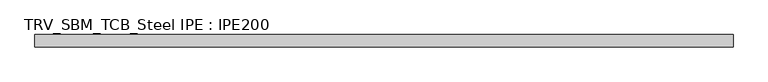
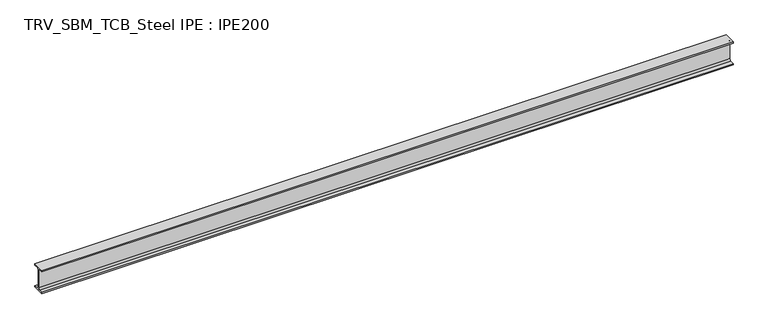
"""IFC4 building model written with IfcOpenShell, lengths in millimetres: beam geometry, TRV_SBM_TCB_Steel IPE : IPE200."""

from ifc_helpers import new_model, si_unit, point, frame, frame_2d, origin, place, context, project, spatial, polyline, circle_curve, trimmed, segment, composite_curve, outline, extrude, source, transform, mapped, element, save


def trv_sbm_tcb_steel_ipe_ipe200_f637426b(model_context):
    return source(origin(), model_context, "Body", "SweptSolid", [
        extrude(outline(composite_curve([segment(polyline([(-50.0, -89.3), (-18.55, -89.3)]), True, "CONTINUOUS"), segment(trimmed(circle_curve(frame_2d((-18.55, -74.3)), 15.0), [point((-18.55, -89.3))], [point((-3.55, -74.3))], True, "CARTESIAN"), True, "CONTINUOUS"), segment(polyline([(-3.55, -74.3), (-3.55, 74.3)]), True, "CONTINUOUS"), segment(trimmed(circle_curve(frame_2d((-18.55, 74.3)), 15.0), [point((-3.55, 74.3))], [point((-18.55, 89.3))], True, "CARTESIAN"), True, "CONTINUOUS"), segment(polyline([(-18.55, 89.3), (-50.0, 89.3), (-50.0, 100.0), (50.0, 100.0), (50.0, 89.3), (18.55, 89.3)]), True, "CONTINUOUS"), segment(trimmed(circle_curve(frame_2d((18.55, 74.3)), 15.0), [point((18.55, 89.3))], [point((3.55, 74.3))], True, "CARTESIAN"), True, "CONTINUOUS"), segment(polyline([(3.55, 74.3), (3.55, -74.3)]), True, "CONTINUOUS"), segment(trimmed(circle_curve(frame_2d((18.55, -74.3)), 15.0), [point((3.55, -74.3))], [point((18.55, -89.3))], True, "CARTESIAN"), True, "CONTINUOUS"), segment(polyline([(18.55, -89.3), (50.0, -89.3), (50.0, -100.0), (-50.0, -100.0), (-50.0, -89.3)]), True, "CONTINUOUS")], self_intersect=False)), frame((-2819.0, 0.0, 0.0), z_axis=(1.0, 0.0, 0.0), x_axis=(0.0, 1.0, 0.0)), (0.0, 0.0, 1.0), 5698.0),
    ])


if __name__ == "__main__":
    model = new_model("IFC4")
    model_context = context("Model", 3, world=origin())
    ifc_project = project(units=[si_unit("LENGTHUNIT", "METRE", prefix="MILLI")], contexts=[model_context])
    site = spatial("IfcSite", under=ifc_project)
    building = spatial("IfcBuilding", under=site)
    placement = place(None, origin())
    trv_sbm_tcb_steel_ipe_ipe200_shape = trv_sbm_tcb_steel_ipe_ipe200_f637426b(model_context)
    element("IfcBeam", 1, ObjectType="TRV_SBM_TCB_Steel IPE : IPE200", at=placement, inside=building, context=model_context, shape_type="MappedRepresentation", body=[
        mapped(trv_sbm_tcb_steel_ipe_ipe200_shape, transform((0.0, 0.0, 0.0), x_axis=(1.0, 0.0, 0.0), y_axis=(0.0, 1.0, 0.0), z_axis=(0.0, 0.0, 1.0))),
    ])
    save(model, "model.ifc")
